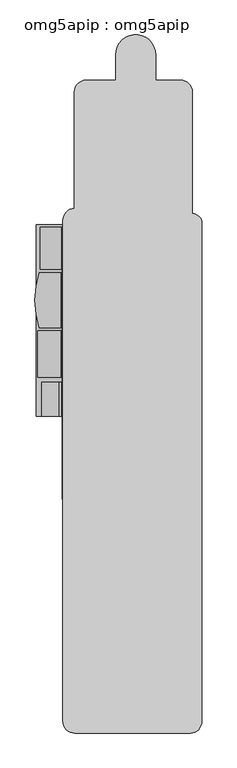
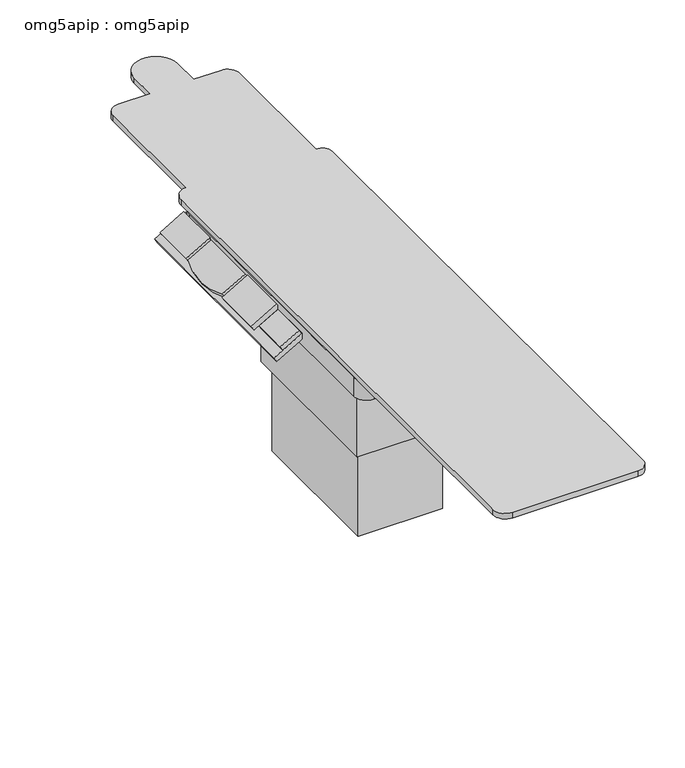
"""IFC4 building model written with IfcOpenShell, lengths in millimetres: proxy geometry, omg5apip : omg5apip."""

from ifc_helpers import new_model, si_unit, point, frame, frame_2d, origin, origin_with_axes, place, context, project, spatial, polyline, circle_curve, trimmed, segment, composite_curve, outline, extrude, source, transform, mapped, element, save


def omg5apip_omg5apip_21e62909(model_context):
    return source(origin(), model_context, "Body", "SweptSolid", [
        extrude(outline(composite_curve([segment(polyline([(260.0, 0.0), (260.0, -116.1245404)]), True, "CONTINUOUS"), segment(trimmed(circle_curve(frame_2d((129.633848, 213.7598038)), 354.7097604), [point((260.0, -116.1245404))], [point((0.0, -116.4129989))], False, "CARTESIAN"), True, "CONTINUOUS"), segment(polyline([(0.0, -116.4129989), (0.0, 0.0), (260.0, 0.0)]), True, "CONTINUOUS")], self_intersect=False)), frame((-348.3608277, -10.4977104, 900.8756817), z_axis=(-0.4999999999999841, 0.0, 0.8660254037844478), x_axis=(0.0, -1.0, 0.0)), (0.0, 0.0, 1.0), 23.291288),
        extrude(outline(polyline([(0.0, -128.9784104), (0.0, 0.0), (220.674979, 0.0), (220.674979, -128.9784104), (0.0, -128.9784104)])), frame((-345.665113, -284.7271322, 902.4320534), z_axis=(-0.49999999999999967, 0.0, 0.8660254037844388), x_axis=(0.0, -1.0, 0.0)), (0.0, 0.0, 1.0), 23.291288),
        extrude(outline(polyline([(0.0, -119.7997727), (0.0, 0.0), (199.0410011, 0.0), (199.0410011, -119.7997727), (0.0, -119.7997727)])), frame((-342.3267661, 207.114759, 898.108084), z_axis=(-0.4999999999999997, 0.0, 0.8660254037844388), x_axis=(0.0, -1.0, 0.0)), (0.0, 0.0, 1.0), 23.291288),
        extrude(outline(polyline([(0.0, -158.0227461), (0.0, 0.0), (906.8418912, 0.0), (906.8418912, -158.0227461), (0.0, -158.0227461)])), frame((-327.0574363, 217.114759, 884.9189566), z_axis=(-0.5000000000000003, 0.0, 0.8660254037844386), x_axis=(0.0, -1.0, 0.0)), (0.0, 0.0, 1.0), 24.0190437),
        extrude(outline(polyline([(-292.8538003, -541.1159247), (192.1064379, -541.1159247), (192.1064379, -954.7549015), (-292.8538003, -954.7549015), (-292.8538003, -541.1159247)])), frame((0.0, 0.0, 800.4295168), z_axis=(0.0, 0.0, 1.0), x_axis=(1.0, 0.0, 0.0)), (0.0, 0.0, 1.0), 42.4962556),
        extrude(outline(polyline([(0.0, -96.3006633), (0.0, 0.0), (160.425159, 0.0), (160.425159, -96.3006633), (0.0, -96.3006633)])), frame((-354.9713011, -529.3019732, 897.0591232), z_axis=(-0.5000000000000003, 0.0, 0.8660254037844386), x_axis=(0.0, -1.0, 0.0)), (0.0, 0.0, 1.0), 21.5486328),
        extrude(outline(polyline([(-199.8012651, -196.2348049), (170.1987349, -196.2348049), (170.1987349, -850.5676219), (-199.8012651, -850.5676219), (-199.8012651, -196.2348049)])), origin_with_axes(), (0.0, 0.0, 1.0), 393.6417109),
        extrude(outline(composite_curve([segment(trimmed(circle_curve(frame_2d((254.231639, 174.7915875)), 53.9824352), [point((254.231639, 228.7740228))], [point((308.2140742, 174.7915875))], False, "CARTESIAN"), True, "CONTINUOUS"), segment(polyline([(308.2140742, 174.7915875), (308.2140742, -1081.7582343)]), True, "CONTINUOUS"), segment(trimmed(circle_curve(frame_2d((255.3384459, -1083.18447)), 52.89486), [point((308.2140742, -1081.7582343))], [point((255.3384459, -1136.07933))], False, "CARTESIAN"), True, "CONTINUOUS"), segment(polyline([(255.3384459, -1136.07933), (-295.6676857, -1136.07933)]), True, "CONTINUOUS"), segment(trimmed(circle_curve(frame_2d((-295.6676857, -1079.4725733)), 56.6067567), [point((-295.6676857, -1136.07933))], [point((-352.2744423, -1079.4725733))], False, "CARTESIAN"), True, "CONTINUOUS"), segment(polyline([(-352.2744423, -1079.4725733), (-352.2744423, 169.3533807)]), True, "CONTINUOUS"), segment(trimmed(circle_curve(frame_2d((-292.8538003, 169.3533807)), 59.420642), [point((-352.2744423, 169.3533807))], [point((-292.8538003, 228.7740228))], False, "CARTESIAN"), True, "CONTINUOUS"), segment(polyline([(-292.8538003, 228.7740228), (254.231639, 228.7740228)]), True, "CONTINUOUS")], self_intersect=False)), frame((0.0, 0.0, 842.9257723), z_axis=(0.0, 0.0, 1.0), x_axis=(1.0, 0.0, 0.0)), (0.0, 0.0, 1.0), 87.0565384),
        extrude(outline(polyline([(-221.7859258, -150.5676219), (192.1064379, -150.5676219), (192.1064379, -882.1254246), (-221.7859258, -882.1254246), (-221.7859258, -150.5676219)])), frame((0.0, 0.0, 393.6417109), z_axis=(0.0, 0.0, 1.0), x_axis=(1.0, 0.0, 0.0)), (0.0, 0.0, 1.0), 406.7878058),
        extrude(outline(composite_curve([segment(trimmed(circle_curve(frame_2d((-5.0, 1022.5)), 95.0), [point((-100.0, 1022.5))], [point((90.0, 1022.5))], False, "CARTESIAN"), True, "CONTINUOUS"), segment(polyline([(90.0, 1022.5), (90.0, 902.5), (208.3649418, 902.5)]), True, "CONTINUOUS"), segment(trimmed(circle_curve(frame_2d((208.3649418, 847.6508676)), 54.8491324), [point((208.3649418, 902.5))], [point((263.2140742, 847.6508676))], False, "CARTESIAN"), True, "CONTINUOUS"), segment(polyline([(263.2140742, 847.6508676), (263.2140742, 269.1891994)]), True, "CONTINUOUS"), segment(trimmed(circle_curve(frame_2d((265.8592332, 226.9170374)), 42.3548409), [point((263.2140742, 269.1891994))], [point((308.2140742, 226.9170374))], False, "CARTESIAN"), True, "CONTINUOUS"), segment(polyline([(308.2140742, 226.9170374), (308.2140742, -2135.5789042)]), True, "CONTINUOUS"), segment(trimmed(circle_curve(frame_2d((255.3384459, -2137.00514)), 52.89486), [point((308.2140742, -2135.5789042))], [point((255.3384459, -2189.9))], False, "CARTESIAN"), True, "CONTINUOUS"), segment(polyline([(255.3384459, -2189.9), (-292.6116191, -2189.9)]), True, "CONTINUOUS"), segment(trimmed(circle_curve(frame_2d((-292.6116191, -2133.2932433)), 56.6067567), [point((-292.6116191, -2189.9))], [point((-349.2183758, -2133.2932433))], False, "CARTESIAN"), True, "CONTINUOUS"), segment(polyline([(-349.2183758, -2133.2932433), (-349.2183758, 236.7201437)]), True, "CONTINUOUS"), segment(trimmed(circle_curve(frame_2d((-289.7977338, 236.7201437)), 59.420642), [point((-349.2183758, 236.7201437))], [point((-295.0, 295.912619))], False, "CARTESIAN"), True, "CONTINUOUS"), segment(polyline([(-295.0, 295.912619), (-295.0, 847.5)]), True, "CONTINUOUS"), segment(trimmed(circle_curve(frame_2d((-240.0, 847.5)), 55.0), [point((-295.0, 847.5))], [point((-240.0, 902.5))], False, "CARTESIAN"), True, "CONTINUOUS"), segment(polyline([(-240.0, 902.5), (-100.0, 902.5), (-100.0, 1022.5)]), True, "CONTINUOUS")], self_intersect=False)), frame((0.0, 0.0, 929.9823107), z_axis=(0.0, 0.0, 1.0), x_axis=(1.0, 0.0, 0.0)), (0.0, 0.0, 1.0), 25.0255018),
    ])


if __name__ == "__main__":
    model = new_model("IFC4")
    model_context = context("Model", 3, world=origin())
    ifc_project = project(units=[si_unit("LENGTHUNIT", "METRE", prefix="MILLI")], contexts=[model_context])
    site = spatial("IfcSite", under=ifc_project)
    building = spatial("IfcBuilding", under=site)
    placement = place(None, origin())
    omg5apip_omg5apip_shape = omg5apip_omg5apip_21e62909(model_context)
    element("IfcBuildingElementProxy", 1, Name="omg5apip : omg5apip", ObjectType="omg5apip : omg5apip", at=placement, inside=building, context=model_context, shape_type="MappedRepresentation", body=[
        mapped(omg5apip_omg5apip_shape, transform((0.0, 0.0, 0.0), x_axis=(1.0, 0.0, 0.0), y_axis=(0.0, 1.0, 0.0), z_axis=(0.0, 0.0, 1.0))),
    ])
    save(model, "model.ifc")
